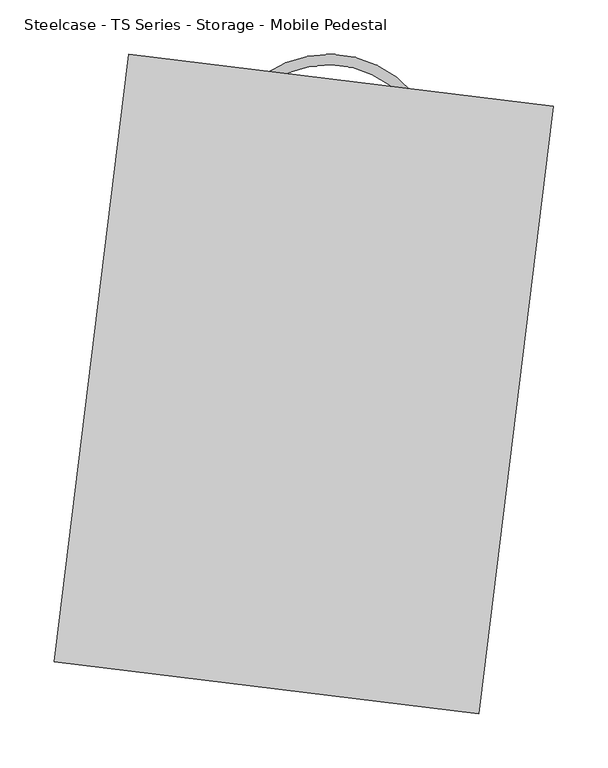
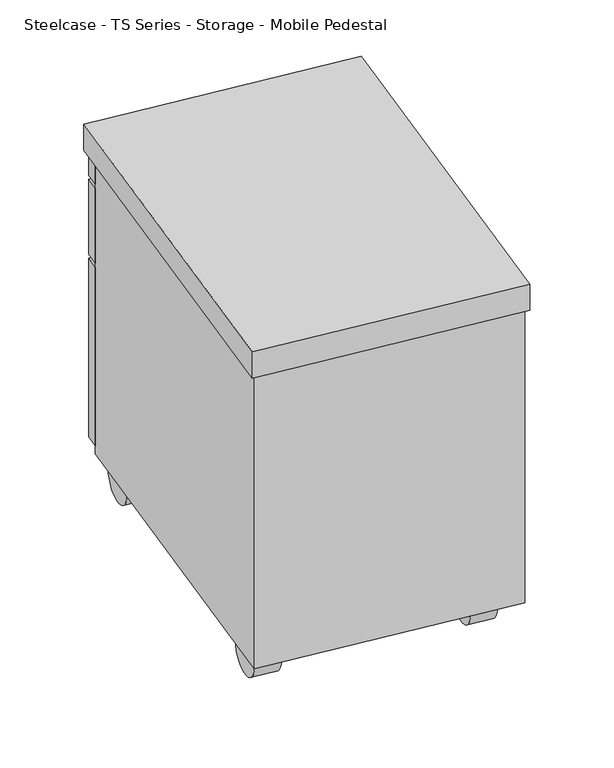
"""IFC4 building model written with IfcOpenShell, lengths in millimetres: furniture geometry, Steelcase - TS Series - Storage - Mobile Pedestal."""

from ifc_helpers import new_model, si_unit, point, frame, frame_2d, origin, place, context, project, spatial, polyline, circle_curve, ellipse_curve, trimmed, segment, composite_curve, outline, extrude, source, transform, mapped, element, save
from ifc_brep_helpers import plane_surface, revolved_surface, advanced_brep


def steelcase_ts_series_storage_mobile_pedestal_aaf8ada3(model_context):
    return source(origin(), model_context, "Body", "SolidModel", [
        extrude(outline(composite_curve([segment(trimmed(circle_curve(frame_2d((0.0, 31.7500001)), 31.75), [point((0.0, 63.5000001))], [point((0.0, 0.0))], False, "CARTESIAN"), True, "CONTINUOUS"), segment(trimmed(circle_curve(frame_2d((0.0, 31.7500001)), 31.75), [point((0.0, 0.0))], [point((0.0, 63.5000001))], False, "CARTESIAN"), True, "CONTINUOUS")], self_intersect=False)), frame((1080.1856555, 1636.1038109, 42.1826087), z_axis=(-0.9925461516413229, 0.12186934340514136, 0.0), x_axis=(0.0, 0.0, -1.0)), (0.0, 0.0, 1.0), 37.846),
        extrude(outline(composite_curve([segment(trimmed(circle_curve(frame_2d((0.0, 458.8510291)), 31.75), [point((0.0, 490.6010291))], [point((0.0, 427.1010291))], False, "CARTESIAN"), True, "CONTINUOUS"), segment(trimmed(circle_curve(frame_2d((0.0, 458.8510291)), 31.75), [point((0.0, 427.1010291))], [point((0.0, 490.6010291))], False, "CARTESIAN"), True, "CONTINUOUS")], self_intersect=False)), frame((1080.1856555, 1636.1038109, 42.1826087), z_axis=(-0.9925461516413229, 0.12186934340514136, 0.0), x_axis=(0.0, 0.0, -1.0)), (0.0, 0.0, 1.0), 37.846),
        advanced_brep(
        [(841.499354, 1686.5609294, 465.5346215), (846.873069, 1678.6260027, 465.5346215), (978.9698154, 1668.191219, 465.5346215), (971.7012081, 1661.9456428, 465.5346215)],
        [
            (0, 1, circle_curve(frame((844.1862115, 1682.5934661, 465.5346215), z_axis=(-0.8279941733117524, -0.5607367019928233, 0.0), x_axis=(0.5607367019928232, -0.8279941733117522, 0.0)), 4.7916562)),
            (1, 0, circle_curve(frame((844.1862115, 1682.5934661, 465.5346215), z_axis=(-0.8279941733117524, -0.5607367019928233, 0.0), x_axis=(0.5607367019928232, -0.8279941733117522, 0.0)), 4.7916562)),
            (2, 3, circle_curve(frame((975.3355118, 1665.0684309, 465.5346215), z_axis=(0.6517137292885716, -0.7584650387834514, 0.0), x_axis=(-0.7584650387834517, -0.6517137292885716, 0.0)), 4.7916562)),
            (3, 2, circle_curve(frame((975.3355118, 1665.0684309, 465.5346215), z_axis=(0.6517137292885716, -0.7584650387834514, 0.0), x_axis=(-0.7584650387834517, -0.6517137292885716, 0.0)), 4.7916562)),
            (2, 0, circle_curve(frame((899.9322159, 1600.277886, 465.5346215), z_axis=(0.0, 0.0, 1.0), x_axis=(-0.5607367019928226, 0.8279941733117526, 0.0)), 104.2073075)),
            (1, 3, circle_curve(frame((899.9322159, 1600.277886, 465.5346215), z_axis=(0.0, 0.0, -1.0), x_axis=(-0.5607367019928226, 0.8279941733117526, 0.0)), 94.6239952)),
        ],
        [
            plane_surface(frame((843.9196854, 1682.9870234, 152.5934276), z_axis=(-0.8279941733117526, -0.5607367019928227, 0.0), x_axis=(0.0, 0.0, 1.0))),
            plane_surface(frame((975.6960209, 1665.3781997, 152.5934276), z_axis=(0.651713729288571, -0.7584650387834521, 0.0), x_axis=(0.0, 0.0, 1.0))),
            revolved_surface(trimmed(ellipse_curve(frame((844.1862115, 1682.5934661, 465.5346215), z_axis=(0.8279941733117524, 0.5607367019928233, 0.0), x_axis=(0.5607367019928232, -0.8279941733117522, 0.0)), 4.7916562, 4.7916562), [point((841.499354, 1686.5609294, 465.5346215))], [point((846.873069, 1678.6260027, 465.5346215))], True, "CARTESIAN"), (899.9322159, 1600.277886, 152.5934276), (0.0, 0.0, 1.0000000000000002)),
            revolved_surface(trimmed(ellipse_curve(frame((844.1862115, 1682.5934661, 465.5346215), z_axis=(0.8279941733117524, 0.5607367019928233, 0.0), x_axis=(0.5607367019928232, -0.8279941733117522, 0.0)), 4.7916562, 4.7916562), [point((846.873069, 1678.6260027, 465.5346215))], [point((841.499354, 1686.5609294, 465.5346215))], True, "CARTESIAN"), (899.9322159, 1600.277886, 152.5934276), (0.0, 0.0, 1.0000000000000002)),
        ],
        [
            (0, [[1, 2]]),
            (1, [[3, 4]]),
            (2, [[-3, 5, -2, 6]]),
            (3, [[-4, -6, -1, -5]]),
        ],
    ),
        advanced_brep(
        [(841.499354, 1686.5609294, 314.2489478), (846.873069, 1678.6260027, 314.2489478), (978.9698154, 1668.191219, 314.2489478), (971.7012081, 1661.9456428, 314.2489478)],
        [
            (0, 1, circle_curve(frame((844.1862115, 1682.5934661, 314.2489478), z_axis=(-0.8279941733117524, -0.5607367019928233, 0.0), x_axis=(0.5607367019928232, -0.8279941733117522, 0.0)), 4.7916562)),
            (1, 0, circle_curve(frame((844.1862115, 1682.5934661, 314.2489478), z_axis=(-0.8279941733117524, -0.5607367019928233, 0.0), x_axis=(0.5607367019928232, -0.8279941733117522, 0.0)), 4.7916562)),
            (2, 3, circle_curve(frame((975.3355118, 1665.0684309, 314.2489478), z_axis=(0.6517137292885716, -0.7584650387834514, 0.0), x_axis=(-0.7584650387834517, -0.6517137292885716, 0.0)), 4.7916562)),
            (3, 2, circle_curve(frame((975.3355118, 1665.0684309, 314.2489478), z_axis=(0.6517137292885716, -0.7584650387834514, 0.0), x_axis=(-0.7584650387834517, -0.6517137292885716, 0.0)), 4.7916562)),
            (2, 0, circle_curve(frame((899.9322159, 1600.277886, 314.2489478), z_axis=(0.0, 0.0, 1.0), x_axis=(-0.5607367019928226, 0.8279941733117526, 0.0)), 104.2073075)),
            (1, 3, circle_curve(frame((899.9322159, 1600.277886, 314.2489478), z_axis=(0.0, 0.0, -1.0), x_axis=(-0.5607367019928226, 0.8279941733117526, 0.0)), 94.6239952)),
        ],
        [
            plane_surface(frame((843.9196854, 1682.9870234, 1.3077539), z_axis=(-0.8279941733117526, -0.5607367019928227, 0.0), x_axis=(0.0, 0.0, 1.0))),
            plane_surface(frame((975.6960209, 1665.3781997, 1.3077539), z_axis=(0.651713729288571, -0.7584650387834521, 0.0), x_axis=(0.0, 0.0, 1.0))),
            revolved_surface(trimmed(ellipse_curve(frame((844.1862115, 1682.5934661, 314.2489478), z_axis=(0.8279941733117524, 0.5607367019928233, 0.0), x_axis=(0.5607367019928232, -0.8279941733117522, 0.0)), 4.7916562, 4.7916562), [point((841.499354, 1686.5609294, 314.2489478))], [point((846.873069, 1678.6260027, 314.2489478))], True, "CARTESIAN"), (899.9322159, 1600.277886, 1.3077539), (0.0, 0.0, 1.0000000000000002)),
            revolved_surface(trimmed(ellipse_curve(frame((844.1862115, 1682.5934661, 314.2489478), z_axis=(0.8279941733117524, 0.5607367019928233, 0.0), x_axis=(0.5607367019928232, -0.8279941733117522, 0.0)), 4.7916562, 4.7916562), [point((846.873069, 1678.6260027, 314.2489478))], [point((841.499354, 1686.5609294, 314.2489478))], True, "CARTESIAN"), (899.9322159, 1600.277886, 1.3077539), (0.0, 0.0, 1.0000000000000002)),
        ],
        [
            (0, [[1, 2]]),
            (1, [[3, 4]]),
            (2, [[-3, 5, -2, 6]]),
            (3, [[-4, -6, -1, -5]]),
        ],
    ),
        extrude(outline(composite_curve([segment(trimmed(circle_curve(frame_2d((0.0, 31.75)), 31.75), [point((0.0, 63.5))], [point((0.0, 0.0))], False, "CARTESIAN"), True, "CONTINUOUS"), segment(trimmed(circle_curve(frame_2d((0.0, 31.75)), 31.75), [point((0.0, 0.0))], [point((0.0, 63.5))], False, "CARTESIAN"), True, "CONTINUOUS")], self_intersect=False)), frame((775.1679865, 1673.5552714, 42.1826087), z_axis=(-0.9925461516413229, 0.12186934340514136, 0.0), x_axis=(0.0, 0.0, -1.0)), (0.0, 0.0, 1.0), 37.9539166),
        extrude(outline(composite_curve([segment(trimmed(circle_curve(frame_2d((0.0, 458.8510291)), 31.75), [point((0.0, 490.6010291))], [point((0.0, 427.1010291))], False, "CARTESIAN"), True, "CONTINUOUS"), segment(trimmed(circle_curve(frame_2d((0.0, 458.8510291)), 31.75), [point((0.0, 427.1010291))], [point((0.0, 490.6010291))], False, "CARTESIAN"), True, "CONTINUOUS")], self_intersect=False)), frame((775.1679865, 1673.5552714, 42.1826087), z_axis=(-0.9925461516413229, 0.12186934340514136, 0.0), x_axis=(0.0, 0.0, -1.0)), (0.0, 0.0, 1.0), 37.9539166),
        extrude(outline(polyline([(1102.1558622, 1652.2609899), (1099.4473125, 1630.2016228), (717.3795816, 1677.1136414), (720.0881313, 1699.1730085), (1102.1558622, 1652.2609899)])), frame((0.0, 0.0, 379.2406087), z_axis=(0.0, 0.0, 1.0), x_axis=(1.0, 0.0, 0.0)), (0.0, 0.0, 1.0), 120.142),
        extrude(outline(polyline([(1102.1558622, 1652.2609899), (1099.4473125, 1630.2016228), (717.3795816, 1677.1136414), (720.0881313, 1699.1730085), (1102.1558622, 1652.2609899)])), frame((0.0, 0.0, 87.1406087), z_axis=(0.0, 0.0, 1.0), x_axis=(1.0, 0.0, 0.0)), (0.0, 0.0, 1.0), 285.75),
        extrude(outline(polyline([(1102.1558622, 1652.2609899), (1099.4473125, 1630.2016228), (717.3795816, 1677.1136414), (720.0881313, 1699.1730085), (1102.1558622, 1652.2609899)])), frame((0.0, 0.0, 505.7326087), z_axis=(0.0, 0.0, 1.0), x_axis=(1.0, 0.0, 0.0)), (0.0, 0.0, 1.0), 38.1),
        extrude(outline(polyline([(1034.4422047, 1100.7775056), (652.3744738, 1147.6895241), (717.3795816, 1677.1136414), (1099.4473125, 1630.2016228), (1034.4422047, 1100.7775056)])), frame((0.0, 0.0, 74.4406087), z_axis=(0.0, 0.0, 1.0), x_axis=(1.0, 0.0, 0.0)), (0.0, 0.0, 1.0), 469.392),
        extrude(outline(polyline([(1038.9039364, 1095.4314082), (646.7519366, 1143.5816193), (715.6263996, 1704.5191058), (1107.7783994, 1656.3688947), (1038.9039364, 1095.4314082)])), frame((0.0, 0.0, 543.8326087), z_axis=(0.0, 0.0, 1.0), x_axis=(1.0, 0.0, 0.0)), (0.0, 0.0, 1.0), 41.91),
    ])


if __name__ == "__main__":
    model = new_model("IFC4")
    model_context = context("Model", 3, world=origin())
    ifc_project = project(units=[si_unit("LENGTHUNIT", "METRE", prefix="MILLI")], contexts=[model_context])
    site = spatial("IfcSite", under=ifc_project)
    building = spatial("IfcBuilding", under=site)
    placement = place(None, origin())
    steelcase_ts_series_storage_mobile_pedestal_shape = steelcase_ts_series_storage_mobile_pedestal_aaf8ada3(model_context)
    element("IfcFurniture", 1, ObjectType="Steelcase - TS Series - Storage - Mobile Pedestal", at=placement, inside=building, context=model_context, shape_type="MappedRepresentation", body=[
        mapped(steelcase_ts_series_storage_mobile_pedestal_shape, transform((0.0, 0.0, 0.0), x_axis=(1.0, 0.0, 0.0), y_axis=(0.0, 1.0, 0.0), z_axis=(0.0, 0.0, 1.0))),
    ])
    save(model, "model.ifc")
